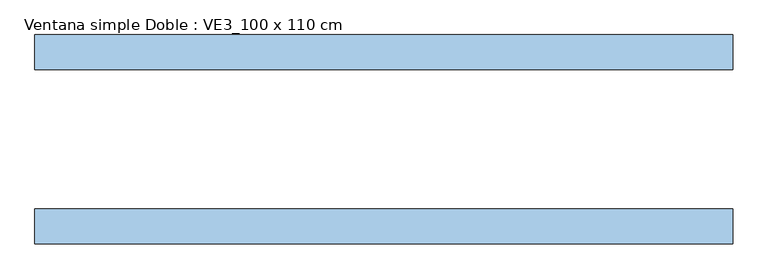
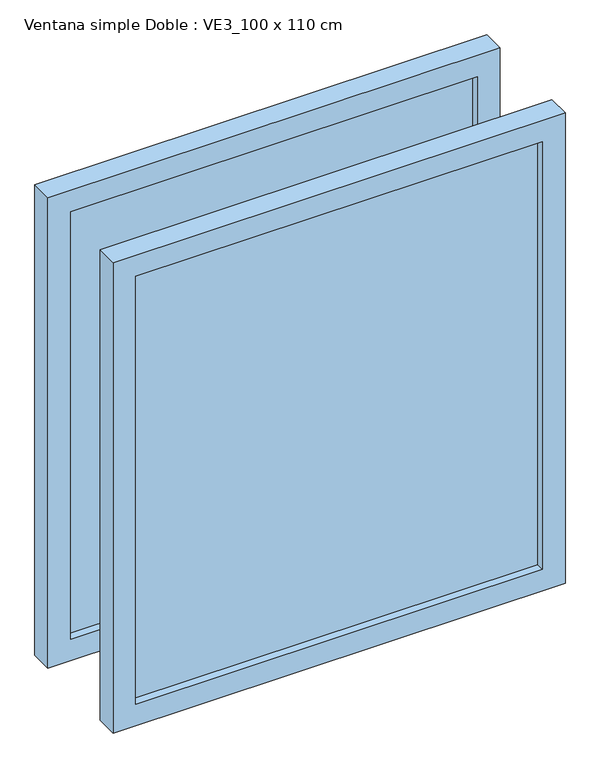
"""IFC4 building model written with IfcOpenShell, lengths in millimetres: window geometry, Ventana simple Doble : VE3_100 x 110 cm."""

from ifc_helpers import new_model, si_unit, frame, origin, place, context, project, spatial, polyline, outline, extrude, source, transform, mapped, element, save


def ventana_simple_doble_ve3_100_x_110_cm_81118233(model_context):
    return source(origin(), model_context, "Body", "SweptSolid", [
        extrude(outline(polyline([(450.0, -131.5), (-450.0, -131.5), (-450.0, -118.5), (450.0, -118.5), (450.0, -131.5)])), frame((0.0, 0.0, 850.0), z_axis=(0.0, 0.0, 1.0), x_axis=(1.0, 0.0, 0.0)), (0.0, 0.0, 1.0), 1000.0),
        extrude(outline(polyline([(800.0, 500.0), (1900.0, 500.0), (1900.0, -500.0), (800.0, -500.0), (800.0, 500.0)]), holes=[polyline([(1850.0, 450.0), (850.0, 450.0), (850.0, -450.0), (1850.0, -450.0), (1850.0, 450.0)])]), frame((0.0, -150.0, 0.0), z_axis=(0.0, 1.0, 0.0), x_axis=(0.0, 0.0, 1.0)), (0.0, 0.0, 1.0), 50.0),
        extrude(outline(polyline([(450.0, 131.5), (450.0, 118.5), (-450.0, 118.5), (-450.0, 131.5), (450.0, 131.5)])), frame((0.0, 0.0, 850.0), z_axis=(0.0, 0.0, 1.0), x_axis=(1.0, 0.0, 0.0)), (0.0, 0.0, 1.0), 1000.0),
        extrude(outline(polyline([(1900.0, 500.0), (1900.0, -500.0), (800.0, -500.0), (800.0, 500.0), (1900.0, 500.0)]), holes=[polyline([(850.0, 450.0), (850.0, -450.0), (1850.0, -450.0), (1850.0, 450.0), (850.0, 450.0)])]), frame((0.0, 100.0, 0.0), z_axis=(0.0, 1.0, 0.0), x_axis=(0.0, 0.0, 1.0)), (0.0, 0.0, 1.0), 50.0),
    ])


if __name__ == "__main__":
    model = new_model("IFC4")
    model_context = context("Model", 3, world=origin())
    ifc_project = project(units=[si_unit("LENGTHUNIT", "METRE", prefix="MILLI")], contexts=[model_context])
    site = spatial("IfcSite", under=ifc_project)
    building = spatial("IfcBuilding", under=site)
    placement = place(None, origin())
    ventana_simple_doble_ve3_100_x_110_cm_shape = ventana_simple_doble_ve3_100_x_110_cm_81118233(model_context)
    element("IfcWindow", 1, ObjectType="Ventana simple Doble : VE3_100 x 110 cm", at=placement, inside=building, context=model_context, shape_type="MappedRepresentation", body=[
        mapped(ventana_simple_doble_ve3_100_x_110_cm_shape, transform((0.0, 0.0, 0.0), x_axis=(1.0, 0.0, 0.0), y_axis=(0.0, 1.0, 0.0), z_axis=(0.0, 0.0, 1.0))),
    ])
    save(model, "model.ifc")
